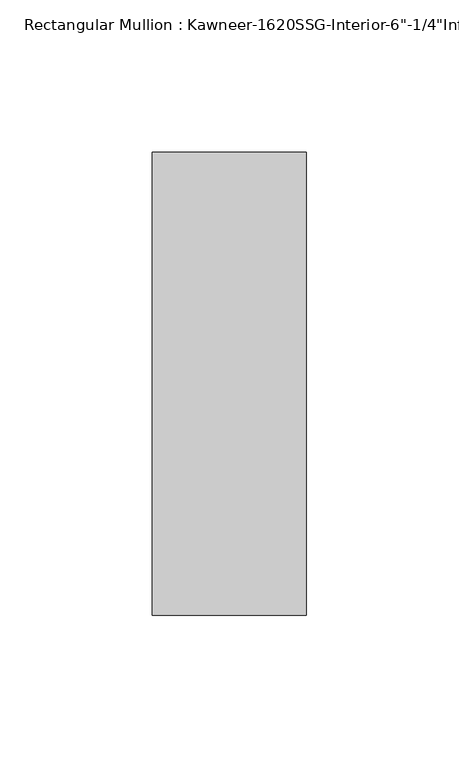
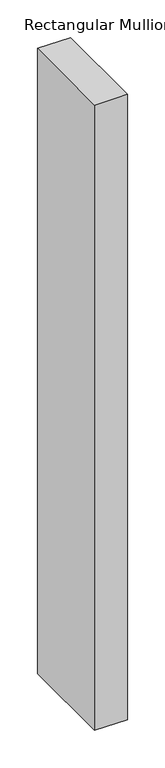
"""IFC4 building model written with IfcOpenShell, lengths in millimetres: member geometry."""

from ifc_helpers import new_model, si_unit, frame, origin, place, context, project, spatial, polyline, outline, extrude, source, transform, mapped, element, save


def member_ff5079a0(model_context):
    return source(origin(), model_context, "Body", "SweptSolid", [
        extrude(outline(polyline([(25.4, 123.825), (25.4, -28.575), (-25.4, -28.575), (-25.4, 123.825), (25.4, 123.825)])), frame((0.0, 0.0, -1016.0), z_axis=(0.0, 0.0, 1.0), x_axis=(1.0, 0.0, 0.0)), (0.0, 0.0, 1.0), 1016.0),
    ])


if __name__ == "__main__":
    model = new_model("IFC4")
    model_context = context("Model", 3, world=origin())
    ifc_project = project(units=[si_unit("LENGTHUNIT", "METRE", prefix="MILLI")], contexts=[model_context])
    site = spatial("IfcSite", under=ifc_project)
    building = spatial("IfcBuilding", under=site)
    placement = place(None, origin())
    member_shape = member_ff5079a0(model_context)
    element("IfcMember", 1, ObjectType="Rectangular Mullion : Kawneer-1620SSG-Interior-6\"-1/4\"Infill", at=placement, inside=building, context=model_context, shape_type="MappedRepresentation", body=[
        mapped(member_shape, transform((0.0, 0.0, 0.0), x_axis=(1.0, 0.0, 0.0), y_axis=(0.0, 1.0, 0.0), z_axis=(0.0, 0.0, 1.0))),
    ])
    save(model, "model.ifc")
